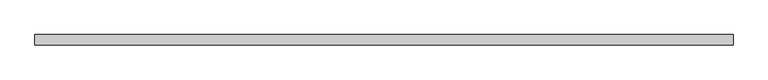
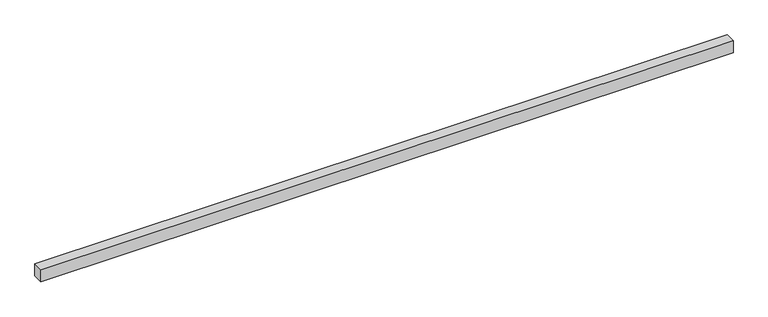
"""IFC4 building model written with IfcOpenShell, lengths in millimetres: proxy geometry."""

from ifc_helpers import new_model, si_unit, frame, origin, place, context, project, spatial, polyline, outline, extrude, source, transform, mapped, element, save


def generic_models_f107ee40(model_context):
    return source(origin(), model_context, "Body", "SweptSolid", [
        extrude(outline(polyline([(40.0, 0.0), (-40.0, 0.0), (-40.0, 5400.0), (40.0, 5400.0), (40.0, 0.0)])), frame((5400.0, 0.0, 0.0), z_axis=(0.0, -1.9783474858313244e-12, 1.0), x_axis=(0.0, 1.0, 1.9783474858313244e-12)), (0.0, 0.0, 1.0), 100.0),
    ])


if __name__ == "__main__":
    model = new_model("IFC4")
    model_context = context("Model", 3, world=origin())
    ifc_project = project(units=[si_unit("LENGTHUNIT", "METRE", prefix="MILLI")], contexts=[model_context])
    site = spatial("IfcSite", under=ifc_project)
    building = spatial("IfcBuilding", under=site)
    placement = place(None, origin())
    generic_models_shape = generic_models_f107ee40(model_context)
    element("IfcBuildingElementProxy", 1, Name="Generic Models", at=placement, inside=building, context=model_context, shape_type="MappedRepresentation", body=[
        mapped(generic_models_shape, transform((0.0, 0.0, 0.0), x_axis=(1.0, 0.0, 0.0), y_axis=(0.0, 1.0, 0.0), z_axis=(0.0, 0.0, 1.0))),
    ])
    save(model, "model.ifc")
